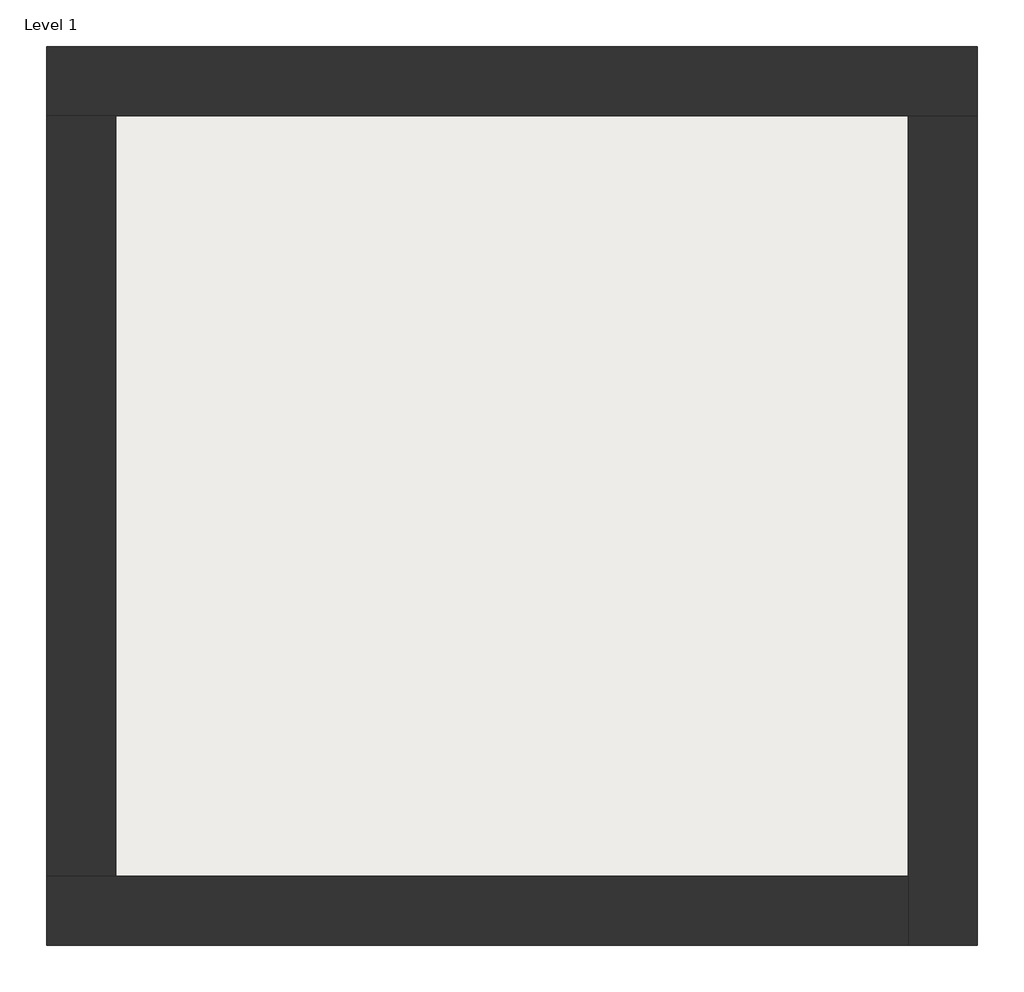
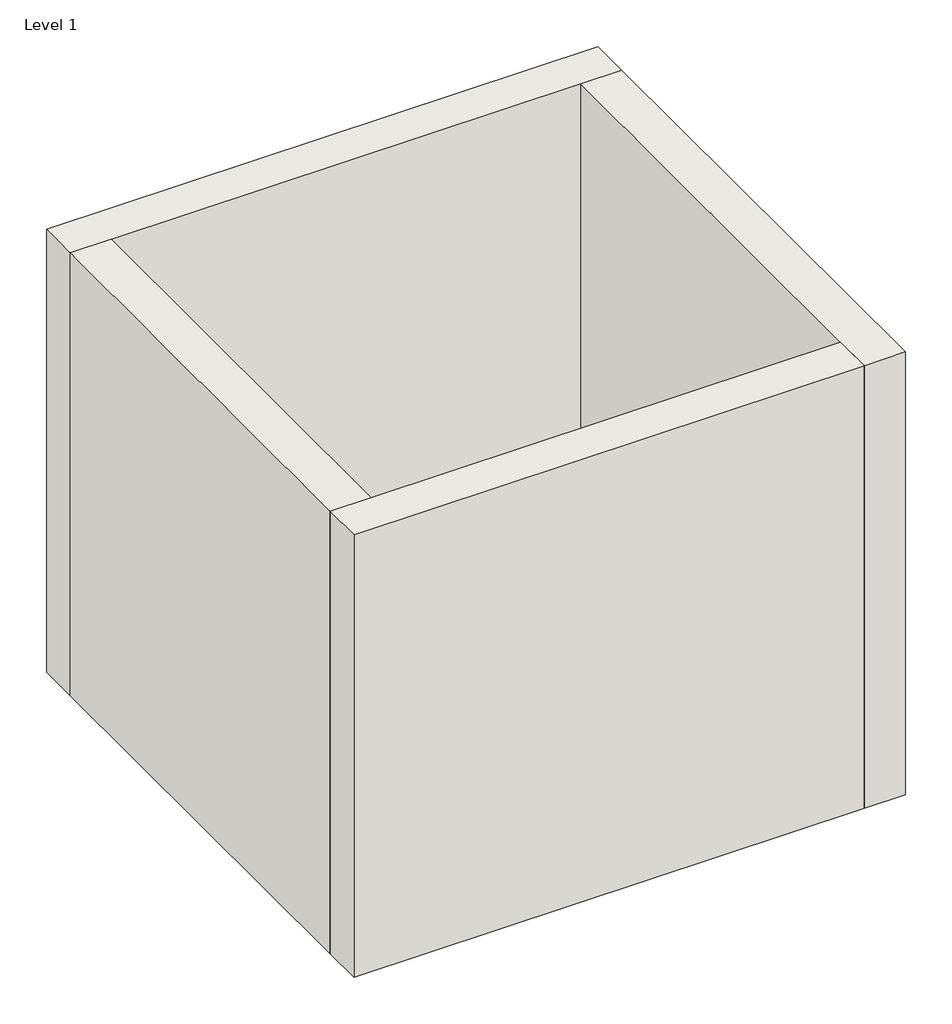
# One storey: 4 walls, 1 slab.
"""IFC4 building model written with IfcOpenShell, lengths in millimetres."""

from ifc_helpers import new_model, si_unit, frame, origin, origin_with_axes, place, context, project, spatial, polyline, outline, extrude, faceted_brep, element, save

model = new_model("IFC4")

# Units and contexts
model_context = context("Model", 3, world=origin())
ifc_project = project(units=[si_unit("LENGTHUNIT", "METRE", prefix="MILLI")], contexts=[model_context])

# Site, building, storey
site = spatial("IfcSite", under=ifc_project)
building = spatial("IfcBuilding", under=site)
storey = spatial("IfcBuildingStorey", under=building, Name="Level 1", Elevation=0.0)

# Slab
placement = place(None, origin())
element("IfcSlab", 1, at=placement, inside=storey, context=model_context, shape_type="SweptSolid", body=[
    extrude(outline(polyline([(-10869.3573003, 6934.2750283), (-10869.3573003, 3058.2750283), (-14907.8573003, 3058.2750283), (-14907.8573003, 6934.2750283), (-10869.3573003, 6934.2750283)])), frame((0.0, 0.0, 5.0), z_axis=(0.0, 0.0, 1.0), x_axis=(1.0, 0.0, 0.0)), (0.0, 0.0, 1.0), 65.0),
])

# Walls
element("IfcWall", 2, ObjectType="Exterior - Brick on Mtl. Stud", at=placement, inside=storey, context=model_context, shape_type="Brep", body=[
    faceted_brep([(-15244.8573003, 6921.2750283, 0.0), (-14894.8573003, 6921.2750283, 0.0), (-10882.3573003, 6921.2750283, 0.0), (-10532.3573003, 6921.2750283, 0.0), (-10532.3573003, 6921.2750283, 4000.0), (-10882.3573003, 6921.2750283, 4000.0), (-14894.8573003, 6921.2750283, 4000.0), (-15244.8573003, 6921.2750283, 4000.0), (-15244.8573003, 7271.2750283, 0.0), (-15244.8573003, 7271.2750283, 4000.0), (-10532.3573003, 7271.2750283, 4000.0), (-10532.3573003, 7271.2750283, 0.0)], [[[0, 1, 2, 3, 4, 5, 6, 7]], [[8, 9, 10, 11]], [[3, 2, 1, 0, 8, 11]], [[7, 6, 5, 4, 10, 9]], [[0, 7, 9, 8]], [[4, 3, 11, 10]]]),
])
element("IfcWall", 3, ObjectType="Exterior - Brick on Mtl. Stud", at=placement, inside=storey, context=model_context, shape_type="Brep", body=[
    faceted_brep([(-10882.3573003, 6921.2750283, 0.0), (-10882.3573003, 3071.2750283, 0.0), (-10882.3573003, 2721.2750283, 0.0), (-10882.3573003, 2721.2750283, 4000.0), (-10882.3573003, 3071.2750283, 4000.0), (-10882.3573003, 6921.2750283, 4000.0), (-10532.3573003, 6921.2750283, 0.0), (-10532.3573003, 6921.2750283, 4000.0), (-10532.3573003, 2721.2750283, 4000.0), (-10532.3573003, 2721.2750283, 0.0)], [[[0, 1, 2, 3, 4, 5]], [[6, 7, 8, 9]], [[2, 1, 0, 6, 9]], [[5, 4, 3, 8, 7]], [[3, 2, 9, 8]], [[0, 5, 7, 6]]]),
])
element("IfcWall", 4, ObjectType="Exterior - Brick on Mtl. Stud", at=placement, inside=storey, context=model_context, shape_type="Brep", body=[
    faceted_brep([(-10882.3573003, 3071.2750283, 0.0), (-14894.8573003, 3071.2750283, 0.0), (-15244.8573003, 3071.2750283, 0.0), (-15244.8573003, 3071.2750283, 4000.0), (-14894.8573003, 3071.2750283, 4000.0), (-10882.3573003, 3071.2750283, 4000.0), (-10882.3573003, 2721.2750283, 0.0), (-10882.3573003, 2721.2750283, 4000.0), (-15244.8573003, 2721.2750283, 4000.0), (-15244.8573003, 2721.2750283, 0.0)], [[[0, 1, 2, 3, 4, 5]], [[6, 7, 8, 9]], [[2, 1, 0, 6, 9]], [[5, 4, 3, 8, 7]], [[3, 2, 9, 8]], [[0, 5, 7, 6]]]),
])
element("IfcWall", 5, ObjectType="Exterior - Brick on Mtl. Stud", at=placement, inside=storey, context=model_context, shape_type="SweptSolid", body=[
    extrude(outline(polyline([(-14894.8573003, 6921.2750283), (-14894.8573003, 3071.2750283), (-15244.8573003, 3071.2750283), (-15244.8573003, 6921.2750283), (-14894.8573003, 6921.2750283)])), origin_with_axes(), (0.0, 0.0, 1.0), 4000.0),
])

save(model, "model.ifc")
